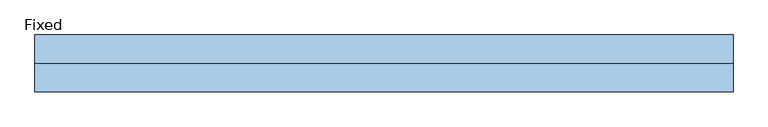
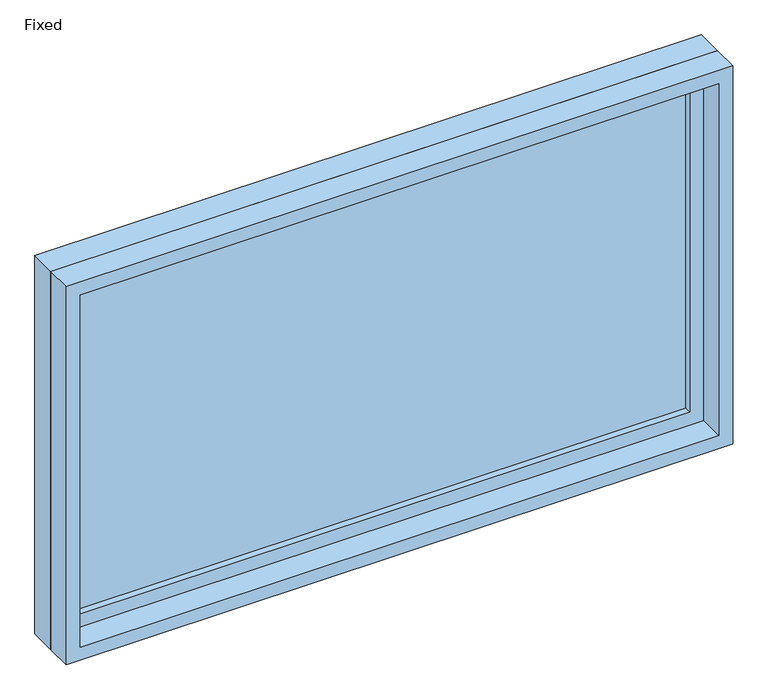
"""IFC4 building model written with IfcOpenShell, lengths in millimetres: window geometry, Fixed."""

from ifc_helpers import new_model, si_unit, frame, origin, place, context, project, spatial, polyline, outline, extrude, source, transform, mapped, element, save


def fixed_8c030486(model_context):
    return source(origin(), model_context, "Body", "SweptSolid", [
        extrude(outline(polyline([(660.4, 14.2875), (-736.6, 14.2875), (-736.6, 26.9875), (660.4, 26.9875), (660.4, 14.2875)])), frame((0.0, 0.0, 1130.3), z_axis=(0.0, 0.0, 1.0), x_axis=(1.0, 0.0, 0.0)), (0.0, 0.0, 1.0), 787.4),
        extrude(outline(polyline([(1962.15, -781.05), (1085.85, -781.05), (1085.85, 704.85), (1962.15, 704.85), (1962.15, -781.05)]), holes=[polyline([(1917.7, -736.6), (1917.7, 660.4), (1130.3, 660.4), (1130.3, -736.6), (1917.7, -736.6)])]), frame((0.0, -1.5875, 0.0), z_axis=(0.0, 1.0, 0.0), x_axis=(0.0, 0.0, 1.0)), (0.0, 0.0, 1.0), 44.45),
        extrude(outline(polyline([(1981.2, -800.1), (1066.8, -800.1), (1066.8, 723.9), (1981.2, 723.9), (1981.2, -800.1)]), holes=[polyline([(1949.45, -768.35), (1949.45, 692.15), (1098.55, 692.15), (1098.55, -768.35), (1949.45, -768.35)])]), frame((0.0, -61.9125, 0.0), z_axis=(0.0, 1.0, 0.0), x_axis=(0.0, 0.0, 1.0)), (0.0, 0.0, 1.0), 60.325),
        extrude(outline(polyline([(1981.2, 723.9), (1981.2, -800.1), (1066.8, -800.1), (1066.8, 723.9), (1981.2, 723.9)]), holes=[polyline([(1962.15, 704.85), (1085.85, 704.85), (1085.85, -781.05), (1962.15, -781.05), (1962.15, 704.85)])]), frame((0.0, -1.5875, 0.0), z_axis=(0.0, 1.0, 0.0), x_axis=(0.0, 0.0, 1.0)), (0.0, 0.0, 1.0), 63.5),
    ])


if __name__ == "__main__":
    model = new_model("IFC4")
    model_context = context("Model", 3, world=origin())
    ifc_project = project(units=[si_unit("LENGTHUNIT", "METRE", prefix="MILLI")], contexts=[model_context])
    site = spatial("IfcSite", under=ifc_project)
    building = spatial("IfcBuilding", under=site)
    placement = place(None, origin())
    fixed_shape = fixed_8c030486(model_context)
    element("IfcWindow", 1, ObjectType="Fixed", at=placement, inside=building, context=model_context, shape_type="MappedRepresentation", body=[
        mapped(fixed_shape, transform((0.0, 0.0, 0.0), x_axis=(1.0, 0.0, 0.0), y_axis=(0.0, 1.0, 0.0), z_axis=(0.0, 0.0, 1.0))),
    ])
    save(model, "model.ifc")
